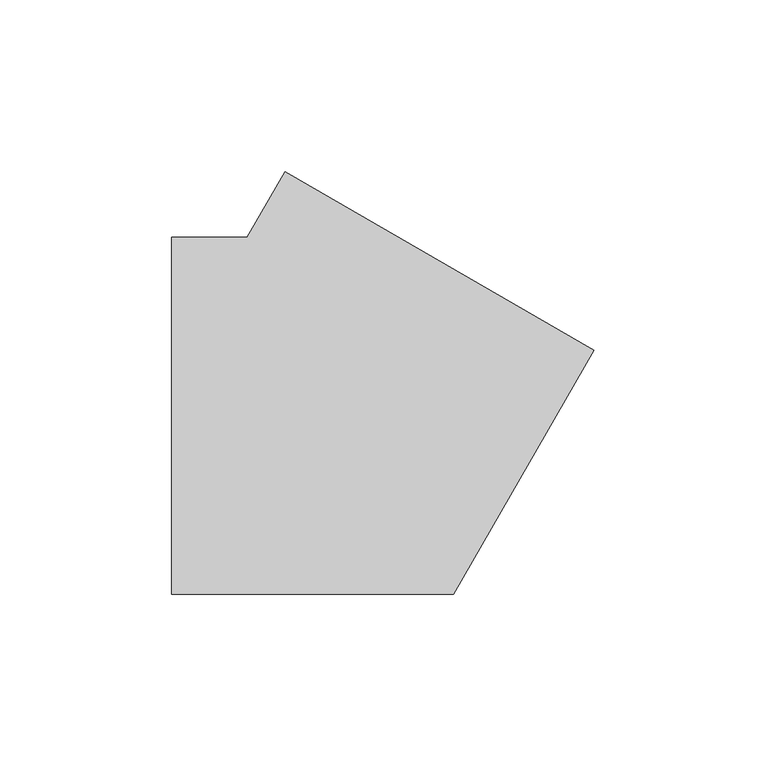
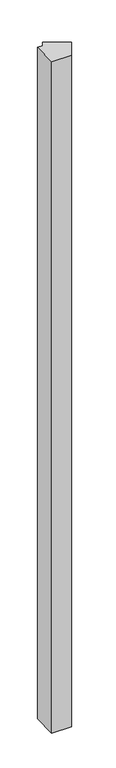
"""IFC4 building model written with IfcOpenShell, lengths in millimetres: member geometry."""

from ifc_helpers import new_model, si_unit, frame, origin, place, context, project, spatial, polyline, outline, extrude, source, transform, mapped, element, save


def member_ff500b0a(model_context):
    return source(origin(), model_context, "Body", "SweptSolid", [
        extrude(outline(polyline([(71.033321, 19.033321), (30.022214, -52.0), (-52.0, -52.0), (-52.0, 52.0), (-30.022214, 52.0), (-19.033321, 71.033321), (71.033321, 19.033321)])), frame((0.0, 0.0, -2955.0), z_axis=(0.0, 0.0, 1.0), x_axis=(1.0, 0.0, 0.0)), (0.0, 0.0, 1.0), 2955.0),
    ])


if __name__ == "__main__":
    model = new_model("IFC4")
    model_context = context("Model", 3, world=origin())
    ifc_project = project(units=[si_unit("LENGTHUNIT", "METRE", prefix="MILLI")], contexts=[model_context])
    site = spatial("IfcSite", under=ifc_project)
    building = spatial("IfcBuilding", under=site)
    placement = place(None, origin())
    member_shape = member_ff500b0a(model_context)
    element("IfcMember", 1, at=placement, inside=building, context=model_context, shape_type="MappedRepresentation", body=[
        mapped(member_shape, transform((0.0, 0.0, 0.0), x_axis=(1.0, 0.0, 0.0), y_axis=(0.0, 1.0, 0.0), z_axis=(0.0, 0.0, 1.0))),
    ])
    save(model, "model.ifc")
